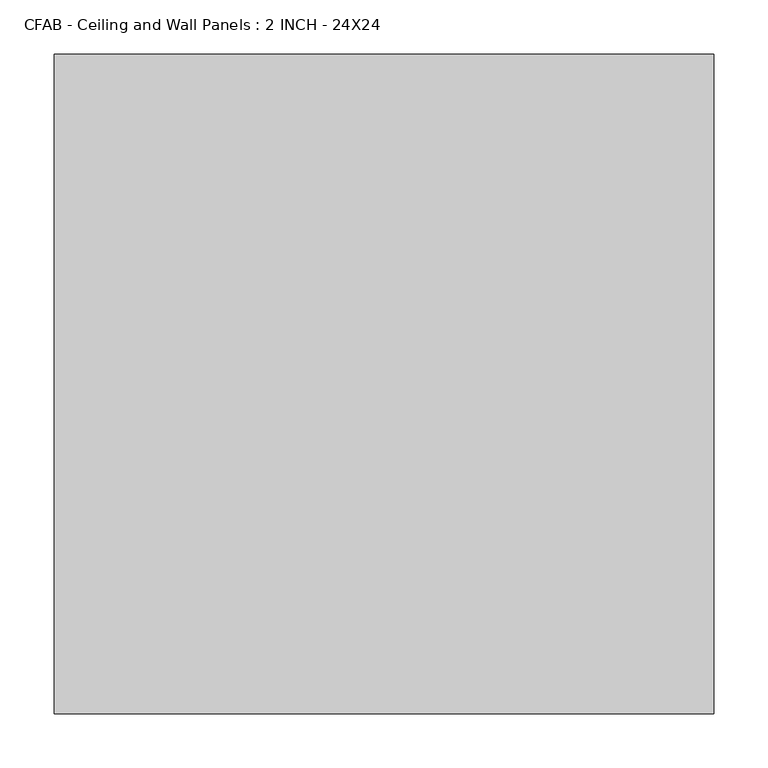
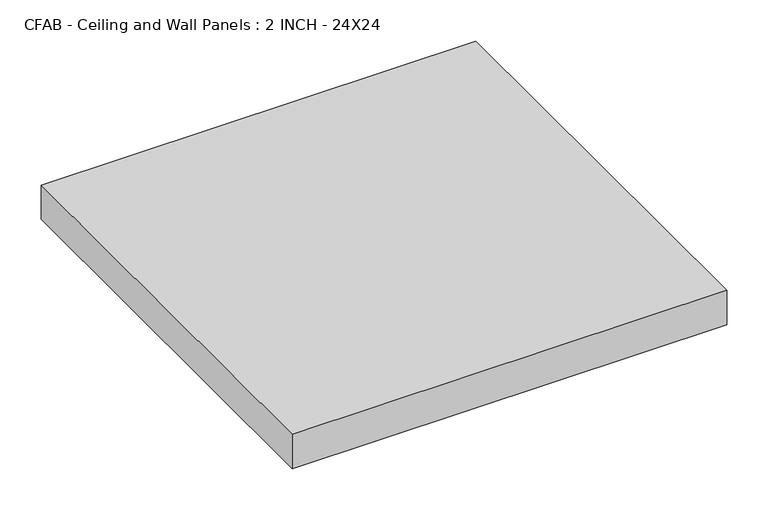
"""IFC4 building model written with IfcOpenShell, lengths in millimetres: proxy geometry, CFAB - Ceiling and Wall Panels : 2 INCH - 24X24."""

from ifc_helpers import new_model, si_unit, origin, origin_with_axes, place, context, project, spatial, polyline, outline, extrude, source, transform, mapped, element, save


def cfab_ceiling_and_wall_panels_2_inch_24x24_6957a6ce(model_context):
    return source(origin(), model_context, "Body", "SweptSolid", [
        extrude(outline(polyline([(-304.8, 304.8), (304.8, 304.8), (304.8, -304.8), (-304.8, -304.8), (-304.8, 304.8)])), origin_with_axes(), (0.0, 0.0, 1.0), 50.8),
    ])


if __name__ == "__main__":
    model = new_model("IFC4")
    model_context = context("Model", 3, world=origin())
    ifc_project = project(units=[si_unit("LENGTHUNIT", "METRE", prefix="MILLI")], contexts=[model_context])
    site = spatial("IfcSite", under=ifc_project)
    building = spatial("IfcBuilding", under=site)
    placement = place(None, origin())
    cfab_ceiling_and_wall_panels_2_inch_24x24_shape = cfab_ceiling_and_wall_panels_2_inch_24x24_6957a6ce(model_context)
    element("IfcBuildingElementProxy", 1, Name="CFAB - Ceiling and Wall Panels : 2 INCH - 24X24", ObjectType="CFAB - Ceiling and Wall Panels : 2 INCH - 24X24", at=placement, inside=building, context=model_context, shape_type="MappedRepresentation", body=[
        mapped(cfab_ceiling_and_wall_panels_2_inch_24x24_shape, transform((0.0, 0.0, 0.0), x_axis=(1.0, 0.0, 0.0), y_axis=(0.0, 1.0, 0.0), z_axis=(0.0, 0.0, 1.0))),
    ])
    save(model, "model.ifc")
